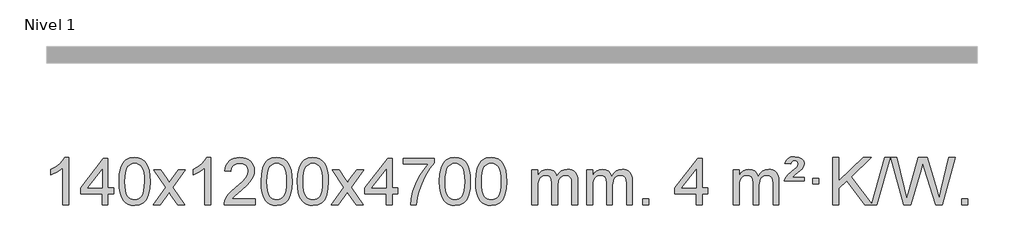
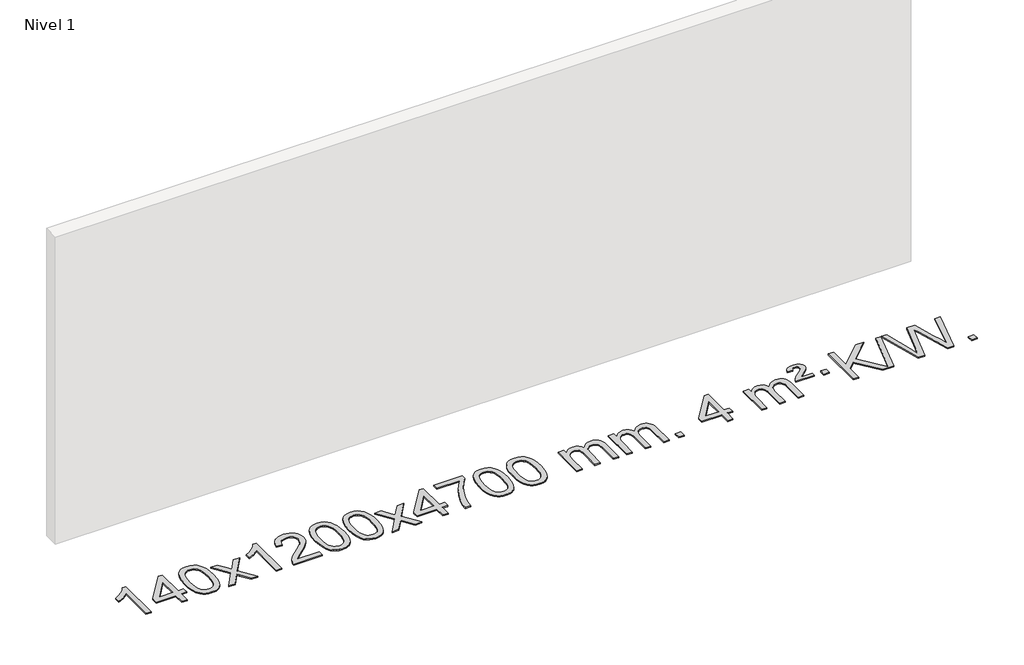
# One storey, part 3 of 10: 1 proxy.
"""IFC4 building model written with IfcOpenShell, lengths in millimetres."""

from ifc_helpers import new_model, si_unit, origin, origin_with_axes, place, context, project, spatial, polyline, outline, extrude, element, save

model = new_model("IFC4")

# Units and contexts
model_context = context("Model", 3, world=origin())
ifc_project = project(units=[si_unit("LENGTHUNIT", "METRE", prefix="MILLI")], contexts=[model_context])

# Site, building, storey
site = spatial("IfcSite", under=ifc_project)
building = spatial("IfcBuilding", under=site)
storey = spatial("IfcBuildingStorey", under=building, Name="Nivel 1", Elevation=0.0)

# Proxy
placement = place(None, origin())
element("IfcBuildingElementProxy", 1, Name="Texto de modelo 1", ObjectType="Texto de modelo 1", at=placement, inside=storey, context=model_context, shape_type="SweptSolid", body=[
    extrude(outline(polyline([(-43.1563615, -15470.579453), (-93.3845166, -15470.579453), (-93.3845166, -15157.4382987), (-114.3537903, -15174.3976587), (-140.9639213, -15191.3324932), (-193.8408268, -15216.6918254), (-193.8408268, -15169.2105225), (-154.3916142, -15147.7507395), (-120.2153768, -15122.219729), (-93.274152, -15095.0700378), (-75.5299771, -15068.7542124), (-43.1563615, -15068.7542124), (-43.1563615, -15470.579453)])), origin_with_axes(), (0.0, 0.0, 1.0), 10.0),
    extrude(outline(polyline([(239.3770108, -15470.579453), (239.3770108, -15376.4016622), (57.2999486, -15376.4016622), (57.2999486, -15326.1735072), (251.9340495, -15075.0327318), (289.6051658, -15075.0327318), (289.6051658, -15326.1735072), (339.8333209, -15326.1735072), (339.8333209, -15376.4016622), (289.6051658, -15376.4016622), (289.6051658, -15470.579453), (239.3770108, -15470.579453)]), holes=[polyline([(239.3770108, -15326.1735072), (239.3770108, -15170.9763561), (119.1041238, -15326.1735072), (239.3770108, -15326.1735072)])]), origin_with_axes(), (0.0, 0.0, 1.0), 10.0),
    extrude(outline(polyline([(383.7829566, -15272.9041943), (387.4740393, -15208.5861588), (398.5472873, -15157.2911459), (416.8923362, -15118.2343407), (428.7503991, -15103.0009605), (442.3988212, -15090.6309284), (457.8835875, -15081.0598651), (475.2506833, -15074.2233914), (515.6318637, -15068.7542124), (546.5830022, -15071.991574), (574.2967792, -15081.7036586), (597.4733449, -15097.5103217), (614.8128496, -15119.0314184), (627.9094486, -15146.0830078), (638.3572973, -15178.4811488), (645.1999024, -15219.6226186), (647.4807707, -15272.9041943), (643.8264762, -15336.8543477), (632.8635928, -15388.0267333), (614.6289086, -15427.1203266), (602.7984367, -15442.3996922), (589.1592118, -15454.8341036), (573.6560514, -15464.4695462), (556.2337732, -15471.3520052), (515.6318637, -15476.8579724), (487.9671376, -15474.4667394), (463.4416713, -15467.2930405), (442.0554646, -15455.3368757), (423.8085177, -15438.5982449), (406.2973347, -15408.3399508), (393.7893469, -15370.6381776), (386.2845542, -15325.4929255), (383.7829566, -15272.9041943)]), holes=[polyline([(434.0111117, -15272.8060924), (435.4826396, -15316.4706195), (439.8972236, -15351.8148822), (447.2548635, -15378.8388804), (457.5555594, -15397.5426142), (470.0144963, -15410.2682656), (483.8468593, -15419.3580165), (499.0526484, -15424.8118671), (515.6318637, -15426.6298173), (532.2110789, -15424.8057357), (547.416868, -15419.3334911), (561.2492311, -15410.2130833), (573.708168, -15397.4445124), (584.0088638, -15378.7101217), (591.3665037, -15351.6922549), (595.7810877, -15316.3909118), (597.2526157, -15272.8060924), (595.8301386, -15230.2973278), (591.5627075, -15195.5753989), (584.4503222, -15168.6403055), (574.4929829, -15149.4920476), (562.2425125, -15136.1440625), (548.2507339, -15126.6097875), (532.5176472, -15120.8892225), (515.0432525, -15118.9823675), (498.5498764, -15120.6623619), (483.6016046, -15125.7023452), (470.1984373, -15134.1023175), (458.3403743, -15145.8622786), (447.6963219, -15166.708925), (440.0934273, -15194.8151094), (435.5316906, -15230.1808319), (434.0111117, -15272.8060924)])]), origin_with_axes(), (0.0, 0.0, 1.0), 10.0),
    extrude(outline(polyline([(672.5948483, -15470.579453), (779.918289, -15322.2494325), (678.8733677, -15175.4890419), (739.3041167, -15175.4890419), (788.0607438, -15246.122385), (810.8203766, -15279.4770192), (830.5388515, -15252.2047007), (886.0645073, -15175.4890419), (946.4952564, -15175.4890419), (840.3490381, -15322.2494325), (942.5711818, -15470.579453), (882.1404327, -15470.579453), (820.6305631, -15381.4048574), (809.3488486, -15365.1199477), (733.0255973, -15470.579453), (672.5948483, -15470.579453)])), origin_with_axes(), (0.0, 0.0, 1.0), 10.0),
    extrude(outline(polyline([(1162.3193603, -15470.579453), (1112.0912052, -15470.579453), (1112.0912052, -15157.4382987), (1091.1219315, -15174.3976587), (1064.5118005, -15191.3324932), (1011.634895, -15216.6918254), (1011.634895, -15169.2105225), (1051.0841076, -15147.7507395), (1085.260345, -15122.219729), (1112.2015698, -15095.0700378), (1129.9457447, -15068.7542124), (1162.3193603, -15068.7542124), (1162.3193603, -15470.579453)])), origin_with_axes(), (0.0, 0.0, 1.0), 10.0),
    extrude(outline(polyline([(1539.0305233, -15420.3512979), (1539.0305233, -15470.579453), (1275.3327092, -15470.579453), (1276.4363552, -15452.8965918), (1280.7283118, -15435.9494945), (1293.1136723, -15408.8856424), (1311.2379919, -15382.6311307), (1337.4557154, -15355.1503456), (1374.1212876, -15324.4076736), (1428.3225682, -15276.2641831), (1460.8433366, -15240.7267824), (1477.1037208, -15211.884834), (1482.5238489, -15183.8277005), (1477.4102891, -15158.6768347), (1462.0696099, -15137.7688747), (1438.488374, -15123.6789943), (1408.6531442, -15118.9823675), (1377.321861, -15123.5686297), (1352.9803356, -15137.3274163), (1337.2717744, -15159.1796068), (1331.8393836, -15188.0460807), (1281.6112286, -15181.7675613), (1285.9307763, -15155.838012), (1293.7881226, -15133.1826125), (1305.1832674, -15113.8013627), (1320.1162107, -15097.6942627), (1338.243596, -15085.0329907), (1359.2220668, -15075.989225), (1383.051623, -15070.5629655), (1409.7322647, -15068.7542124), (1436.6520297, -15070.7653006), (1460.6103447, -15076.7985654), (1481.6072095, -15086.8540066), (1499.6426244, -15100.9316242), (1514.1279779, -15117.9890861), (1524.474659, -15136.9840598), (1530.6826677, -15157.9165453), (1532.7520039, -15180.7865427), (1530.5201865, -15204.8092369), (1523.8247342, -15228.4149983), (1511.9421457, -15252.4254299), (1494.1489199, -15277.6621347), (1465.7852181, -15307.7916701), (1422.1912016, -15346.4805933), (1364.4092029, -15394.795762), (1341.747672, -15420.3512979), (1539.0305233, -15420.3512979)])), origin_with_axes(), (0.0, 0.0, 1.0), 10.0),
    extrude(outline(polyline([(1589.2586784, -15272.9041943), (1592.9497611, -15208.5861588), (1604.0230091, -15157.2911459), (1622.368058, -15118.2343407), (1634.2261209, -15103.0009605), (1647.874543, -15090.6309284), (1663.3593093, -15081.0598651), (1680.7264051, -15074.2233914), (1721.1075855, -15068.7542124), (1752.058724, -15071.991574), (1779.772501, -15081.7036586), (1802.9490667, -15097.5103217), (1820.2885714, -15119.0314184), (1833.3851704, -15146.0830078), (1843.833019, -15178.4811488), (1850.6756242, -15219.6226186), (1852.9564925, -15272.9041943), (1849.302198, -15336.8543477), (1838.3393146, -15388.0267333), (1820.1046304, -15427.1203266), (1808.2741585, -15442.3996922), (1794.6349336, -15454.8341036), (1779.1317731, -15464.4695462), (1761.709495, -15471.3520052), (1721.1075855, -15476.8579724), (1693.4428594, -15474.4667394), (1668.9173931, -15467.2930405), (1647.5311864, -15455.3368757), (1629.2842395, -15438.5982449), (1611.7730565, -15408.3399508), (1599.2650687, -15370.6381776), (1591.760276, -15325.4929255), (1589.2586784, -15272.9041943)]), holes=[polyline([(1639.4868335, -15272.8060924), (1640.9583614, -15316.4706195), (1645.3729454, -15351.8148822), (1652.7305853, -15378.8388804), (1663.0312812, -15397.5426142), (1675.4902181, -15410.2682656), (1689.3225811, -15419.3580165), (1704.5283702, -15424.8118671), (1721.1075855, -15426.6298173), (1737.6868007, -15424.8057357), (1752.8925898, -15419.3334911), (1766.7249529, -15410.2130833), (1779.1838898, -15397.4445124), (1789.4845856, -15378.7101217), (1796.8422255, -15351.6922549), (1801.2568095, -15316.3909118), (1802.7283375, -15272.8060924), (1801.3058604, -15230.2973278), (1797.0384293, -15195.5753989), (1789.926044, -15168.6403055), (1779.9687047, -15149.4920476), (1767.7182342, -15136.1440625), (1753.7264557, -15126.6097875), (1737.993369, -15120.8892225), (1720.5189743, -15118.9823675), (1704.0255981, -15120.6623619), (1689.0773264, -15125.7023452), (1675.6741591, -15134.1023175), (1663.8160961, -15145.8622786), (1653.1720437, -15166.708925), (1645.5691491, -15194.8151094), (1641.0074124, -15230.1808319), (1639.4868335, -15272.8060924)])]), origin_with_axes(), (0.0, 0.0, 1.0), 10.0),
    extrude(outline(polyline([(1896.9061282, -15272.9041943), (1900.5972109, -15208.5861588), (1911.670459, -15157.2911459), (1930.0155078, -15118.2343407), (1941.8735708, -15103.0009605), (1955.5219928, -15090.6309284), (1971.0067591, -15081.0598651), (1988.373855, -15074.2233914), (2028.7550353, -15068.7542124), (2059.7061738, -15071.991574), (2087.4199508, -15081.7036586), (2110.5965165, -15097.5103217), (2127.9360212, -15119.0314184), (2141.0326202, -15146.0830078), (2151.4804689, -15178.4811488), (2158.323074, -15219.6226186), (2160.6039424, -15272.9041943), (2156.9496479, -15336.8543477), (2145.9867644, -15388.0267333), (2127.7520802, -15427.1203266), (2115.9216084, -15442.3996922), (2102.2823834, -15454.8341036), (2086.779223, -15464.4695462), (2069.3569448, -15471.3520052), (2028.7550353, -15476.8579724), (2001.0903093, -15474.4667394), (1976.5648429, -15467.2930405), (1955.1786363, -15455.3368757), (1936.9316893, -15438.5982449), (1919.4205063, -15408.3399508), (1906.9125185, -15370.6381776), (1899.4077258, -15325.4929255), (1896.9061282, -15272.9041943)]), holes=[polyline([(1947.1342833, -15272.8060924), (1948.6058113, -15316.4706195), (1953.0203952, -15351.8148822), (1960.3780351, -15378.8388804), (1970.678731, -15397.5426142), (1983.1376679, -15410.2682656), (1996.9700309, -15419.3580165), (2012.17582, -15424.8118671), (2028.7550353, -15426.6298173), (2045.3342505, -15424.8057357), (2060.5400397, -15419.3334911), (2074.3724027, -15410.2130833), (2086.8313396, -15397.4445124), (2097.1320355, -15378.7101217), (2104.4896754, -15351.6922549), (2108.9042593, -15316.3909118), (2110.3757873, -15272.8060924), (2108.9533102, -15230.2973278), (2104.6858791, -15195.5753989), (2097.5734939, -15168.6403055), (2087.6161545, -15149.4920476), (2075.3656841, -15136.1440625), (2061.3739055, -15126.6097875), (2045.6408189, -15120.8892225), (2028.1664241, -15118.9823675), (2011.673048, -15120.6623619), (1996.7247762, -15125.7023452), (1983.3216089, -15134.1023175), (1971.4635459, -15145.8622786), (1960.8194935, -15166.708925), (1953.2165989, -15194.8151094), (1948.6548622, -15230.1808319), (1947.1342833, -15272.8060924)])]), origin_with_axes(), (0.0, 0.0, 1.0), 10.0),
    extrude(outline(polyline([(2185.7180199, -15470.579453), (2293.0414606, -15322.2494325), (2191.9965393, -15175.4890419), (2252.4272884, -15175.4890419), (2301.1839155, -15246.122385), (2323.9435482, -15279.4770192), (2343.6620232, -15252.2047007), (2399.187679, -15175.4890419), (2459.618428, -15175.4890419), (2353.4722097, -15322.2494325), (2455.6943534, -15470.579453), (2395.2636044, -15470.579453), (2333.7537348, -15381.4048574), (2322.4720202, -15365.1199477), (2246.148769, -15470.579453), (2185.7180199, -15470.579453)])), origin_with_axes(), (0.0, 0.0, 1.0), 10.0),
    extrude(outline(polyline([(2650.3284543, -15470.579453), (2650.3284543, -15376.4016622), (2468.2513922, -15376.4016622), (2468.2513922, -15326.1735072), (2662.8854931, -15075.0327318), (2700.5566094, -15075.0327318), (2700.5566094, -15326.1735072), (2750.7847645, -15326.1735072), (2750.7847645, -15376.4016622), (2700.5566094, -15376.4016622), (2700.5566094, -15470.579453), (2650.3284543, -15470.579453)]), holes=[polyline([(2650.3284543, -15326.1735072), (2650.3284543, -15170.9763561), (2530.0555674, -15326.1735072), (2650.3284543, -15326.1735072)])]), origin_with_axes(), (0.0, 0.0, 1.0), 10.0),
    extrude(outline(polyline([(2794.7344002, -15125.2608869), (2794.7344002, -15075.0327318), (3058.4322143, -15075.0327318), (3058.4322143, -15115.646904), (3020.8469372, -15163.214046), (2983.629542, -15223.7061088), (2950.8022053, -15291.6048623), (2926.3871035, -15361.3920768), (2914.4186759, -15413.6067947), (2907.7477491, -15470.579453), (2857.519594, -15470.579453), (2862.9519848, -15418.8061935), (2877.4833236, -15357.2717985), (2900.721203, -15292.0463207), (2932.2732154, -15229.1998132), (2969.1104659, -15172.3865704), (3008.2040592, -15125.2608869), (2794.7344002, -15125.2608869)])), origin_with_axes(), (0.0, 0.0, 1.0), 10.0),
    extrude(outline(polyline([(3102.38185, -15272.9041943), (3106.0729327, -15208.5861588), (3117.1461808, -15157.2911459), (3135.4912296, -15118.2343407), (3147.3492926, -15103.0009605), (3160.9977146, -15090.6309284), (3176.4824809, -15081.0598651), (3193.8495767, -15074.2233914), (3234.2307571, -15068.7542124), (3265.1818956, -15071.991574), (3292.8956726, -15081.7036586), (3316.0722383, -15097.5103217), (3333.411743, -15119.0314184), (3346.508342, -15146.0830078), (3356.9561907, -15178.4811488), (3363.7987958, -15219.6226186), (3366.0796642, -15272.9041943), (3362.4253697, -15336.8543477), (3351.4624862, -15388.0267333), (3333.227802, -15427.1203266), (3321.3973302, -15442.3996922), (3307.7581052, -15454.8341036), (3292.2549448, -15464.4695462), (3274.8326666, -15471.3520052), (3234.2307571, -15476.8579724), (3206.566031, -15474.4667394), (3182.0405647, -15467.2930405), (3160.6543581, -15455.3368757), (3142.4074111, -15438.5982449), (3124.8962281, -15408.3399508), (3112.3882403, -15370.6381776), (3104.8834476, -15325.4929255), (3102.38185, -15272.9041943)]), holes=[polyline([(3152.6100051, -15272.8060924), (3154.0815331, -15316.4706195), (3158.496117, -15351.8148822), (3165.8537569, -15378.8388804), (3176.1544528, -15397.5426142), (3188.6133897, -15410.2682656), (3202.4457527, -15419.3580165), (3217.6515418, -15424.8118671), (3234.2307571, -15426.6298173), (3250.8099723, -15424.8057357), (3266.0157615, -15419.3334911), (3279.8481245, -15410.2130833), (3292.3070614, -15397.4445124), (3302.6077573, -15378.7101217), (3309.9653972, -15351.6922549), (3314.3799811, -15316.3909118), (3315.8515091, -15272.8060924), (3314.429032, -15230.2973278), (3310.1616009, -15195.5753989), (3303.0492157, -15168.6403055), (3293.0918763, -15149.4920476), (3280.8414059, -15136.1440625), (3266.8496273, -15126.6097875), (3251.1165407, -15120.8892225), (3233.6421459, -15118.9823675), (3217.1487698, -15120.6623619), (3202.200498, -15125.7023452), (3188.7973307, -15134.1023175), (3176.9392677, -15145.8622786), (3166.2952153, -15166.708925), (3158.6923207, -15194.8151094), (3154.130584, -15230.1808319), (3152.6100051, -15272.8060924)])]), origin_with_axes(), (0.0, 0.0, 1.0), 10.0),
    extrude(outline(polyline([(3410.0292998, -15272.9041943), (3413.7203825, -15208.5861588), (3424.7936306, -15157.2911459), (3443.1386794, -15118.2343407), (3454.9967424, -15103.0009605), (3468.6451644, -15090.6309284), (3484.1299307, -15081.0598651), (3501.4970266, -15074.2233914), (3541.8782069, -15068.7542124), (3572.8293454, -15071.991574), (3600.5431224, -15081.7036586), (3623.7196881, -15097.5103217), (3641.0591928, -15119.0314184), (3654.1557918, -15146.0830078), (3664.6036405, -15178.4811488), (3671.4462456, -15219.6226186), (3673.727114, -15272.9041943), (3670.0728195, -15336.8543477), (3659.109936, -15388.0267333), (3640.8752518, -15427.1203266), (3629.04478, -15442.3996922), (3615.405555, -15454.8341036), (3599.9023946, -15464.4695462), (3582.4801165, -15471.3520052), (3541.8782069, -15476.8579724), (3514.2134809, -15474.4667394), (3489.6880145, -15467.2930405), (3468.3018079, -15455.3368757), (3450.0548609, -15438.5982449), (3432.543678, -15408.3399508), (3420.0356901, -15370.6381776), (3412.5308974, -15325.4929255), (3410.0292998, -15272.9041943)]), holes=[polyline([(3460.2574549, -15272.8060924), (3461.7289829, -15316.4706195), (3466.1435668, -15351.8148822), (3473.5012067, -15378.8388804), (3483.8019026, -15397.5426142), (3496.2608395, -15410.2682656), (3510.0932025, -15419.3580165), (3525.2989917, -15424.8118671), (3541.8782069, -15426.6298173), (3558.4574222, -15424.8057357), (3573.6632113, -15419.3334911), (3587.4955743, -15410.2130833), (3599.9545112, -15397.4445124), (3610.2552071, -15378.7101217), (3617.612847, -15351.6922549), (3622.0274309, -15316.3909118), (3623.4989589, -15272.8060924), (3622.0764819, -15230.2973278), (3617.8090507, -15195.5753989), (3610.6966655, -15168.6403055), (3600.7393261, -15149.4920476), (3588.4888557, -15136.1440625), (3574.4970772, -15126.6097875), (3558.7639905, -15120.8892225), (3541.2895957, -15118.9823675), (3524.7962196, -15120.6623619), (3509.8479479, -15125.7023452), (3496.4447805, -15134.1023175), (3484.5867175, -15145.8622786), (3473.9426651, -15166.708925), (3466.3397706, -15194.8151094), (3461.7780338, -15230.1808319), (3460.2574549, -15272.8060924)])]), origin_with_axes(), (0.0, 0.0, 1.0), 10.0),
    extrude(outline(polyline([(3887.1967731, -15470.579453), (3887.1967731, -15175.4890419), (3937.4249281, -15175.4890419), (3937.4249281, -15224.0494653), (3952.5326154, -15201.7435537), (3971.9567847, -15184.2691589), (3995.0352486, -15172.9751816), (4021.1058193, -15169.2105225), (4049.0403255, -15173.048758), (4071.4320762, -15184.5634645), (4088.1584443, -15202.9943524), (4099.0968023, -15227.5811324), (4117.4050629, -15202.0439906), (4138.2884975, -15183.803175), (4161.7471061, -15172.8586857), (4187.7808886, -15169.2105225), (4207.8887053, -15170.7280358), (4225.537844, -15175.2805755), (4240.7283047, -15182.8681416), (4253.4600875, -15193.4907342), (4263.5247257, -15207.2709806), (4270.713753, -15224.3315082), (4275.0271694, -15244.6723168), (4276.4649749, -15268.2934066), (4276.4649749, -15470.579453), (4226.2368198, -15470.579453), (4226.2368198, -15289.875817), (4225.0718602, -15264.8230531), (4221.5769812, -15247.9372695), (4215.0286817, -15236.3735121), (4204.7034604, -15227.2868268), (4191.4229203, -15221.4007149), (4176.0086647, -15219.4386776), (4148.7976598, -15224.4663982), (4126.6143755, -15239.54956), (4118.0090025, -15251.1194488), (4111.8623075, -15265.7182326), (4106.9449515, -15304.0024856), (4106.9449515, -15470.579453), (4056.7167964, -15470.579453), (4056.7167964, -15284.2840106), (4053.8105287, -15255.8835206), (4045.0917254, -15235.6254854), (4029.7510462, -15223.4853796), (4006.9791507, -15219.4386776), (3987.6285577, -15222.1364789), (3969.7985437, -15230.2298828), (3955.0832639, -15243.5226856), (3945.0768736, -15261.8186835), (3939.3379145, -15287.2025411), (3937.4249281, -15321.7589232), (3937.4249281, -15470.579453), (3887.1967731, -15470.579453)])), origin_with_axes(), (0.0, 0.0, 1.0), 10.0),
    extrude(outline(polyline([(4351.8072075, -15470.579453), (4351.8072075, -15175.4890419), (4402.0353626, -15175.4890419), (4402.0353626, -15224.0494653), (4417.1430498, -15201.7435537), (4436.5672192, -15184.2691589), (4459.645683, -15172.9751816), (4485.7162537, -15169.2105225), (4513.6507599, -15173.048758), (4536.0425107, -15184.5634645), (4552.7688787, -15202.9943524), (4563.7072367, -15227.5811324), (4582.0154973, -15202.0439906), (4602.8989319, -15183.803175), (4626.3575405, -15172.8586857), (4652.391323, -15169.2105225), (4672.4991397, -15170.7280358), (4690.1482785, -15175.2805755), (4705.3387392, -15182.8681416), (4718.0705219, -15193.4907342), (4728.1351602, -15207.2709806), (4735.3241875, -15224.3315082), (4739.6376039, -15244.6723168), (4741.0754093, -15268.2934066), (4741.0754093, -15470.579453), (4690.8472543, -15470.579453), (4690.8472543, -15289.875817), (4689.6822946, -15264.8230531), (4686.1874157, -15247.9372695), (4679.6391161, -15236.3735121), (4669.3138948, -15227.2868268), (4656.0333548, -15221.4007149), (4640.6190992, -15219.4386776), (4613.4080943, -15224.4663982), (4591.22481, -15239.54956), (4582.619437, -15251.1194488), (4576.472742, -15265.7182326), (4571.555386, -15304.0024856), (4571.555386, -15470.579453), (4521.3272309, -15470.579453), (4521.3272309, -15284.2840106), (4518.4209631, -15255.8835206), (4509.7021598, -15235.6254854), (4494.3614806, -15223.4853796), (4471.5895851, -15219.4386776), (4452.2389922, -15222.1364789), (4434.4089782, -15230.2298828), (4419.6936983, -15243.5226856), (4409.6873081, -15261.8186835), (4403.948349, -15287.2025411), (4402.0353626, -15321.7589232), (4402.0353626, -15470.579453), (4351.8072075, -15470.579453)])), origin_with_axes(), (0.0, 0.0, 1.0), 10.0),
    extrude(outline(polyline([(4828.9746807, -15470.579453), (4828.9746807, -15420.3512979), (4879.2028358, -15420.3512979), (4879.2028358, -15470.579453), (4828.9746807, -15470.579453)])), origin_with_axes(), (0.0, 0.0, 1.0), 10.0),
    extrude(outline(polyline([(5281.0280764, -15470.579453), (5281.0280764, -15376.4016622), (5098.9510142, -15376.4016622), (5098.9510142, -15326.1735072), (5293.5851152, -15075.0327318), (5331.2562315, -15075.0327318), (5331.2562315, -15326.1735072), (5381.4843865, -15326.1735072), (5381.4843865, -15376.4016622), (5331.2562315, -15376.4016622), (5331.2562315, -15470.579453), (5281.0280764, -15470.579453)]), holes=[polyline([(5281.0280764, -15326.1735072), (5281.0280764, -15170.9763561), (5160.7551894, -15326.1735072), (5281.0280764, -15326.1735072)])]), origin_with_axes(), (0.0, 0.0, 1.0), 10.0),
    extrude(outline(polyline([(5594.9540456, -15470.579453), (5594.9540456, -15175.4890419), (5645.1822007, -15175.4890419), (5645.1822007, -15224.0494653), (5660.2898879, -15201.7435537), (5679.7140573, -15184.2691589), (5702.7925211, -15172.9751816), (5728.8630918, -15169.2105225), (5756.797598, -15173.048758), (5779.1893488, -15184.5634645), (5795.9157168, -15202.9943524), (5806.8540748, -15227.5811324), (5825.1623355, -15202.0439906), (5846.04577, -15183.803175), (5869.5043786, -15172.8586857), (5895.5381611, -15169.2105225), (5915.6459778, -15170.7280358), (5933.2951166, -15175.2805755), (5948.4855773, -15182.8681416), (5961.21736, -15193.4907342), (5971.2819983, -15207.2709806), (5978.4710256, -15224.3315082), (5982.784442, -15244.6723168), (5984.2222474, -15268.2934066), (5984.2222474, -15470.579453), (5933.9940924, -15470.579453), (5933.9940924, -15289.875817), (5932.8291327, -15264.8230531), (5929.3342538, -15247.9372695), (5922.7859542, -15236.3735121), (5912.4607329, -15227.2868268), (5899.1801929, -15221.4007149), (5883.7659373, -15219.4386776), (5856.5549324, -15224.4663982), (5834.3716481, -15239.54956), (5825.7662751, -15251.1194488), (5819.6195801, -15265.7182326), (5814.7022241, -15304.0024856), (5814.7022241, -15470.579453), (5764.474069, -15470.579453), (5764.474069, -15284.2840106), (5761.5678012, -15255.8835206), (5752.8489979, -15235.6254854), (5737.5083187, -15223.4853796), (5714.7364232, -15219.4386776), (5695.3858303, -15222.1364789), (5677.5558163, -15230.2298828), (5662.8405364, -15243.5226856), (5652.8341462, -15261.8186835), (5647.0951871, -15287.2025411), (5645.1822007, -15321.7589232), (5645.1822007, -15470.579453), (5594.9540456, -15470.579453)])), origin_with_axes(), (0.0, 0.0, 1.0), 10.0),
    extrude(outline(polyline([(6028.1718831, -15269.6668327), (6031.9978559, -15253.8479069), (6040.3365144, -15237.9799302), (6061.8453484, -15212.8413272), (6093.8020311, -15185.1030247), (6137.9478705, -15147.726214), (6145.0847812, -15136.1992448), (6147.4637514, -15124.3779701), (6145.5752905, -15112.2869152), (6139.9099078, -15102.5012541), (6130.5411796, -15096.026531), (6117.5426825, -15093.8682899), (6105.108271, -15095.4869707), (6096.2545777, -15100.343013), (6089.8289055, -15109.8098431), (6084.6785576, -15125.2608869), (6034.4504025, -15118.9823675), (6045.2906586, -15093.7701881), (6061.9189248, -15076.2099542), (6085.6841017, -15065.9092583), (6117.9350899, -15062.475693), (6153.7177453, -15066.6082341), (6178.4639409, -15079.0058573), (6192.8849151, -15097.3386434), (6197.6919065, -15119.2766731), (6193.5961536, -15142.1834586), (6181.308895, -15163.8149199), (6160.7810797, -15183.6314968), (6124.3117112, -15211.6886303), (6098.7071243, -15238.2742358), (6197.6919065, -15238.2742358), (6197.6919065, -15269.6668327), (6028.1718831, -15269.6668327)])), origin_with_axes(), (0.0, 0.0, 1.0), 10.0),
    extrude(outline(polyline([(6273.0341391, -15294.7809102), (6273.0341391, -15244.5527552), (6323.2622942, -15244.5527552), (6323.2622942, -15294.7809102), (6273.0341391, -15294.7809102)])), origin_with_axes(), (0.0, 0.0, 1.0), 10.0),
    extrude(outline(polyline([(6713.9039221, -15470.579453), (6560.4726047, -15267.9009991), (6492.7823176, -15332.4520265), (6492.7823176, -15470.579453), (6442.5541625, -15470.579453), (6442.5541625, -15068.7542124), (6492.7823176, -15068.7542124), (6492.7823176, -15265.4484525), (6698.7962349, -15068.7542124), (6769.0371705, -15068.7542124), (6596.0835818, -15233.9577537), (6770.7371917, -15464.5349332), (6882.0505194, -15068.7542124), (6927.3735812, -15068.7542124), (6814.3602323, -15470.579453), (6775.3156899, -15470.579453), (6769.0371705, -15470.579453), (6713.9039221, -15470.579453)])), origin_with_axes(), (0.0, 0.0, 1.0), 10.0),
    extrude(outline(polyline([(7041.8584581, -15470.579453), (6932.2786745, -15068.7542124), (6984.0764594, -15068.7542124), (7047.6464682, -15332.844434), (7067.2668412, -15414.3670841), (7088.2606404, -15342.2622131), (7167.9193551, -15068.7542124), (7242.5748747, -15068.7542124), (7300.4549752, -15267.0180823), (7325.2502217, -15340.5944814), (7343.5216941, -15414.3670841), (7362.553456, -15335.1988788), (7426.712076, -15068.7542124), (7478.5098609, -15068.7542124), (7368.8319754, -15470.579453), (7315.170255, -15470.579453), (7218.8342232, -15160.5775584), (7205.3942677, -15117.3146358), (7190.2865804, -15169.4067263), (7102.4854109, -15470.579453), (7041.8584581, -15470.579453)])), origin_with_axes(), (0.0, 0.0, 1.0), 10.0),
    extrude(outline(polyline([(7535.0165354, -15470.579453), (7535.0165354, -15420.3512979), (7585.2446904, -15420.3512979), (7585.2446904, -15470.579453), (7535.0165354, -15470.579453)])), origin_with_axes(), (0.0, 0.0, 1.0), 10.0),
])

save(model, "model.ifc")
